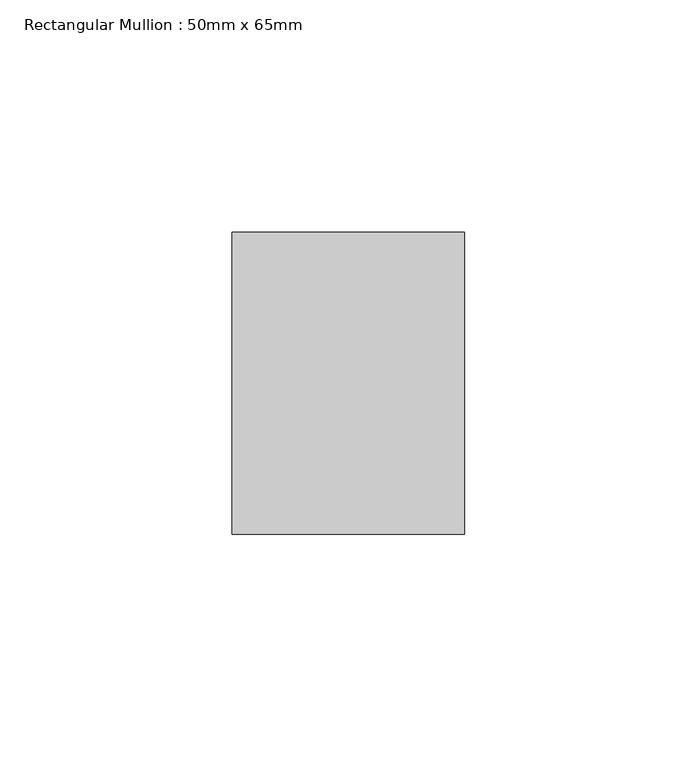
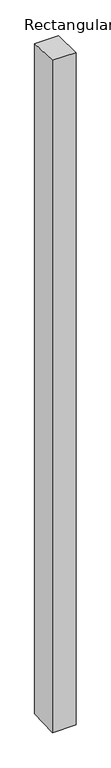
"""IFC4 building model written with IfcOpenShell, lengths in millimetres: member geometry, Rectangular Mullion : 50mm x 65mm."""

from ifc_helpers import new_model, si_unit, origin, place, context, project, spatial, faceted_brep, source, transform, mapped, element, save


def rectangular_mullion_50mm_x_65mm_c19b9dbe(model_context):
    return source(origin(), model_context, "Body", "Brep", [
        faceted_brep([(-25.0, 32.5, -0.8979676), (25.0, 32.5, -0.8979597), (25.0, 32.5, -1498.8579491), (-25.0, 32.5, -1498.857939), (-25.0, -32.5, 0.8979597), (-25.0, -32.5, -1501.1418401), (25.0, -32.5, 0.8979676), (25.0, -32.5, -1501.1418501)], [[[0, 1, 2, 3]], [[4, 0, 3, 5]], [[6, 4, 5, 7]], [[1, 6, 7, 2]], [[1, 0, 4, 6]], [[2, 7, 5, 3]]]),
    ])


if __name__ == "__main__":
    model = new_model("IFC4")
    model_context = context("Model", 3, world=origin())
    ifc_project = project(units=[si_unit("LENGTHUNIT", "METRE", prefix="MILLI")], contexts=[model_context])
    site = spatial("IfcSite", under=ifc_project)
    building = spatial("IfcBuilding", under=site)
    placement = place(None, origin())
    rectangular_mullion_50mm_x_65mm_shape = rectangular_mullion_50mm_x_65mm_c19b9dbe(model_context)
    element("IfcMember", 1, ObjectType="Rectangular Mullion : 50mm x 65mm", at=placement, inside=building, context=model_context, shape_type="MappedRepresentation", body=[
        mapped(rectangular_mullion_50mm_x_65mm_shape, transform((0.0, 0.0, 0.0), x_axis=(1.0, 0.0, 0.0), y_axis=(0.0, 1.0, 0.0), z_axis=(0.0, 0.0, 1.0))),
    ])
    save(model, "model.ifc")
